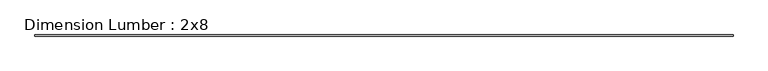
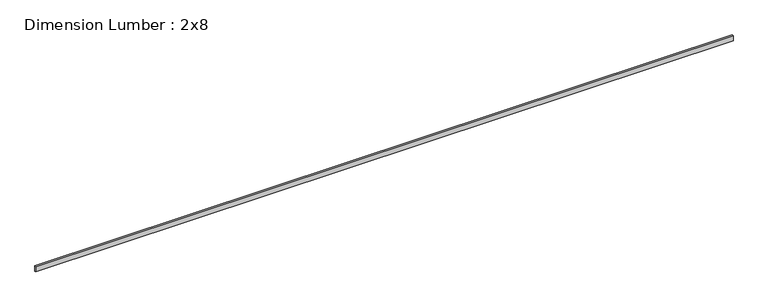
"""IFC4 building model written with IfcOpenShell, lengths in millimetres: beam geometry, Dimension Lumber : 2x8."""

import ifcopenshell
import ifcopenshell.guid

model = None  # the IFC model being written
_history = None  # IfcOwnerHistory: only IFC2X3 demands one
_inside = {}  # id of a spatial element -> (the spatial element, [elements in it])
_under = {}  # id of a project, library or spatial element -> (it, [spatial elements below it])
_declared = {}  # id of a project -> (the project, [libraries it declares])
_typed = {}  # id of a type object -> (the type object, [elements of that type])
_made_of = {}  # id of a material, layer set ... -> (it, [elements and type objects made of it])


def new_model(schema):
    """Start an empty IFC model of exactly this schema.

    Asked for "IFC4X3", IfcOpenShell would pick the latest addendum, in which some entities
    have other attributes; the version numbers below select the first issue.
    IFC2X3 requires an IfcOwnerHistory on every rooted entity: one is made here for all.
    """
    global model, _history
    if schema == "IFC4X3":
        model = ifcopenshell.file(schema_version=(4, 3, 0, 0))
    else:
        model = ifcopenshell.file(schema=schema)
    _inside.clear()
    _under.clear()
    _declared.clear()
    _typed.clear()
    _made_of.clear()
    _history = None
    if model.schema == "IFC2X3":
        org = make("IfcOrganization", Name="unknown")
        user = make(
            "IfcPersonAndOrganization",
            ThePerson=make("IfcPerson", FamilyName="unknown"),
            TheOrganization=org,
        )
        app = make(
            "IfcApplication",
            ApplicationDeveloper=org,
            Version="unknown",
            ApplicationFullName="unknown",
            ApplicationIdentifier="unknown",
        )
        _history = make(
            "IfcOwnerHistory",
            OwningUser=user,
            OwningApplication=app,
            ChangeAction="ADDED",
            CreationDate=0,
        )
    return model


def make(cls, **values):
    """One entity of the class cls with the attributes given. An attribute that is None is left unset."""
    return model.create_entity(
        cls, **{name: value for name, value in values.items() if value is not None}
    )


def rooted(cls, **values):
    """An entity with a GlobalId (a new one), such as an element, a storey or a relation."""
    return make(cls, GlobalId=ifcopenshell.guid.new(), OwnerHistory=_history, **values)


def si_unit(unit_type, name, prefix=None):
    """IfcSIUnit, for example si_unit("LENGTHUNIT", "METRE", prefix="MILLI")."""
    return make("IfcSIUnit", UnitType=unit_type, Prefix=prefix, Name=name)


def assignment(units):
    """IfcUnitAssignment: the units of a project."""
    return None if units is None else make("IfcUnitAssignment", Units=units)


def point(xyz):
    """IfcCartesianPoint."""
    return None if xyz is None else make("IfcCartesianPoint", Coordinates=xyz)


def direction(xyz):
    """IfcDirection."""
    return None if xyz is None else make("IfcDirection", DirectionRatios=xyz)


def frame(location, z_axis=None, x_axis=None):
    """IfcAxis2Placement3D, a coordinate frame: its origin and axes. An axis left out is left unset."""
    return make(
        "IfcAxis2Placement3D",
        Location=point(location),
        Axis=direction(z_axis),
        RefDirection=direction(x_axis),
    )


def origin():
    """The frame at (0, 0, 0) with its axes left unset."""
    return frame((0.0, 0.0, 0.0))


def place(relative_to, where):
    """IfcLocalPlacement: puts the frame where relative to a parent placement (None: the world)."""
    return make(
        "IfcLocalPlacement", PlacementRelTo=relative_to, RelativePlacement=where
    )


def context(
    kind, dimensions, precision=None, world=None, true_north=None, identifier=None
):
    """IfcGeometricRepresentationContext, for example the 3D "Model" context."""
    return make(
        "IfcGeometricRepresentationContext",
        ContextIdentifier=identifier,
        ContextType=kind,
        CoordinateSpaceDimension=dimensions,
        Precision=precision,
        WorldCoordinateSystem=world,
        TrueNorth=true_north,
    )


def project(units=None, contexts=None):
    """IfcProject with its units and contexts."""
    return rooted(
        "IfcProject",
        Name="project",
        RepresentationContexts=contexts,
        UnitsInContext=assignment(units),
    )


def spatial(cls, under=None, at=None, **own):
    """A site, building, storey or space (cls), placed at a placement, below another one or the project."""
    s = rooted(cls, ObjectPlacement=at, **own)
    if under is not None:
        _under.setdefault(under.id(), (under, []))[1].append(s)
    return s


def polyline(points):
    """IfcPolyline through the points."""
    return make("IfcPolyline", Points=[point(p) for p in points])


def outline(outer, holes=None, kind="AREA"):
    """IfcArbitraryClosedProfileDef: a profile drawn as a closed curve; with holes, ...WithVoids."""
    if holes is None:
        return make("IfcArbitraryClosedProfileDef", ProfileType=kind, OuterCurve=outer)
    return make(
        "IfcArbitraryProfileDefWithVoids",
        ProfileType=kind,
        OuterCurve=outer,
        InnerCurves=holes,
    )


def extrude(swept, where, along, depth):
    """IfcExtrudedAreaSolid: the profile swept, set in the frame where, extruded along a direction by depth."""
    return make(
        "IfcExtrudedAreaSolid",
        SweptArea=swept,
        Position=where,
        ExtrudedDirection=direction(along),
        Depth=depth,
    )


def shape(context_of_items, identifier, shape_type, items):
    """IfcShapeRepresentation: the items that make up one representation, for example the "Body"."""
    return make(
        "IfcShapeRepresentation",
        ContextOfItems=context_of_items,
        RepresentationIdentifier=identifier,
        RepresentationType=shape_type,
        Items=items,
    )


def source(mapping_origin, context_of_items, identifier, shape_type, items):
    """IfcRepresentationMap: a shape defined once, which mapped items show again and again."""
    return make(
        "IfcRepresentationMap",
        MappingOrigin=mapping_origin,
        MappedRepresentation=shape(context_of_items, identifier, shape_type, items),
    )


def transform(
    local_origin,
    x_axis=None,
    y_axis=None,
    z_axis=None,
    scale=None,
    scale2=None,
    scale3=None,
    uniform=True,
):
    """IfcCartesianTransformationOperator3D, or its non-uniform kind. x_axis, y_axis, z_axis: its Axis1, 2, 3."""
    if uniform:
        return make(
            "IfcCartesianTransformationOperator3D",
            Axis1=direction(x_axis),
            Axis2=direction(y_axis),
            LocalOrigin=point(local_origin),
            Scale=scale,
            Axis3=direction(z_axis),
        )
    return make(
        "IfcCartesianTransformationOperator3DnonUniform",
        Axis1=direction(x_axis),
        Axis2=direction(y_axis),
        LocalOrigin=point(local_origin),
        Scale=scale,
        Axis3=direction(z_axis),
        Scale2=scale2,
        Scale3=scale3,
    )


def mapped(mapping_source, mapping_target):
    """IfcMappedItem: shows the shape of a source again, moved by a transform."""
    return make(
        "IfcMappedItem", MappingSource=mapping_source, MappingTarget=mapping_target
    )


def made_of(thing, what):
    """Note that an element or type object is made of a material, layer set ...; save() writes the relation."""
    if what is not None:
        _made_of.setdefault(what.id(), (what, []))[1].append(thing)
    return thing


def element(
    cls,
    number,
    at=None,
    inside=None,
    cuts=None,
    type_object=None,
    material=None,
    context=None,
    identifier="Body",
    shape_type=None,
    held_by="IfcProductDefinitionShape",
    body=None,
    shapes=None,
    **own,
):
    """One element of the class cls, such as IfcWall. Its Tag is "e" and its number.

    at: its placement. inside: the storey or other place that contains it. cuts: it is an
    opening in that element (IfcRelVoidsElement). A single representation is given by context,
    identifier, shape_type and body (its items); several are given by shapes. held_by: the class
    of the entity that holds the representations. save() writes the other relations.
    """
    e = rooted(cls, Tag="e%d" % number, ObjectPlacement=at, **own)
    if body is not None:
        shapes = [shape(context, identifier, shape_type, body)]
    if shapes is not None:
        e.Representation = make(held_by, Representations=shapes)
    if inside is not None:
        _inside.setdefault(inside.id(), (inside, []))[1].append(e)
    if cuts is not None:
        rooted(
            "IfcRelVoidsElement", RelatingBuildingElement=cuts, RelatedOpeningElement=e
        )
    if type_object is not None:
        _typed.setdefault(type_object.id(), (type_object, []))[1].append(e)
    return made_of(e, material)


def aggregate(whole, parts):
    """IfcRelAggregates: a whole, such as a stair, and the parts it consists of."""
    return rooted("IfcRelAggregates", RelatingObject=whole, RelatedObjects=parts)


def save(model, path):
    """Write the relations noted so far, then the file.

    IfcRelAggregates (storeys below a building ...), IfcRelContainedInSpatialStructure (elements
    in a storey), IfcRelDefinesByType, IfcRelAssociatesMaterial and IfcRelDeclares: one each for
    every whole, place, type object, material and project.
    """
    for whole, parts in _under.values():
        aggregate(whole, parts)
    for where, things in _inside.values():
        rooted(
            "IfcRelContainedInSpatialStructure",
            RelatedElements=things,
            RelatingStructure=where,
        )
    for kind, things in _typed.values():
        rooted("IfcRelDefinesByType", RelatedObjects=things, RelatingType=kind)
    for what, things in _made_of.values():
        rooted("IfcRelAssociatesMaterial", RelatedObjects=things, RelatingMaterial=what)
    for by, libraries in _declared.values():
        rooted("IfcRelDeclares", RelatingContext=by, RelatedDefinitions=libraries)
    model.write(path)


def dimension_lumber_2x8_00f94076(model_context):
    return source(origin(), model_context, "Body", "SweptSolid", [
        extrude(outline(polyline([(11273.308643, 19.05), (11273.308643, -19.05), (-11273.308643, -19.05), (-11273.308643, 19.05), (11273.308643, 19.05)])), frame((0.0, 0.0, -92.075), z_axis=(0.0, 0.0, 1.0), x_axis=(1.0, 0.0, 0.0)), (0.0, 0.0, 1.0), 184.15),
    ])


if __name__ == "__main__":
    model = new_model("IFC4")
    model_context = context("Model", 3, world=origin())
    ifc_project = project(units=[si_unit("LENGTHUNIT", "METRE", prefix="MILLI")], contexts=[model_context])
    site = spatial("IfcSite", under=ifc_project)
    building = spatial("IfcBuilding", under=site)
    placement = place(None, origin())
    dimension_lumber_2x8_shape = dimension_lumber_2x8_00f94076(model_context)
    element("IfcBeam", 1, ObjectType="Dimension Lumber : 2x8", at=placement, inside=building, context=model_context, shape_type="MappedRepresentation", body=[
        mapped(dimension_lumber_2x8_shape, transform((0.0, 0.0, 0.0), x_axis=(1.0, 0.0, 0.0), y_axis=(0.0, 1.0, 0.0), z_axis=(0.0, 0.0, 1.0))),
    ])
    save(model, "model.ifc")
